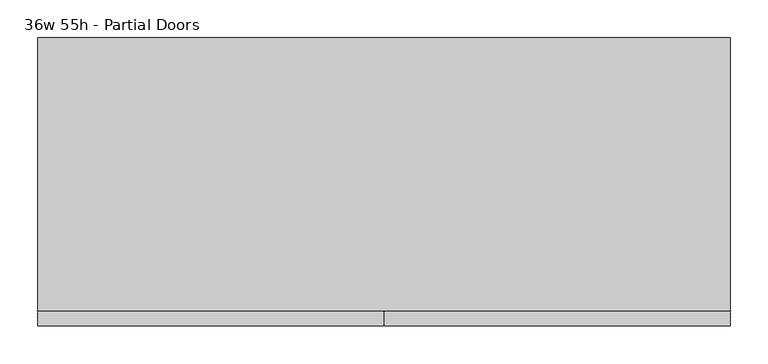
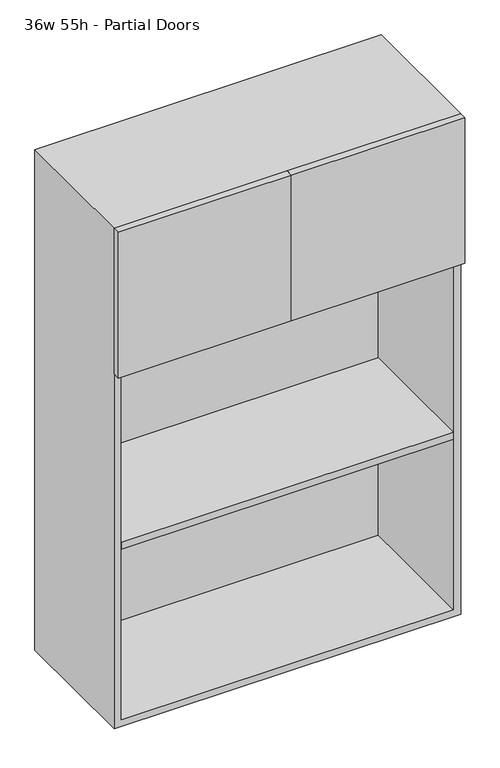
"""IFC4 building model written with IfcOpenShell, lengths in millimetres: furniture geometry, 36w 55h - Partial Doors."""

from ifc_helpers import new_model, si_unit, frame, origin, place, context, project, spatial, polyline, outline, extrude, source, transform, mapped, element, save


def furniture_36w_55h_partial_doors_f7c313d4(model_context):
    return source(origin(), model_context, "Body", "SweptSolid", [
        extrude(outline(polyline([(438.1569453, 161.925), (438.1569453, -180.975), (-438.1291641, -180.975), (-438.1291641, 161.925), (438.1569453, 161.925)])), frame((0.0, 0.0, 1727.2), z_axis=(0.0, 0.0, 1.0), x_axis=(1.0, 0.0, 0.0)), (0.0, 0.0, 1.0), 19.05),
        extrude(outline(polyline([(438.1569453, 161.925), (438.1569453, -180.975), (-438.1291641, -180.975), (-438.1291641, 161.925), (438.1569453, 161.925)])), frame((0.0, 0.0, 1231.9), z_axis=(0.0, 0.0, 1.0), x_axis=(1.0, 0.0, 0.0)), (0.0, 0.0, 1.0), 19.05),
        extrude(outline(polyline([(0.0138906, -200.025), (0.0138906, -180.975), (457.2138906, -180.975), (457.2138906, -200.025), (0.0138906, -200.025)])), frame((0.0, 0.0, 1727.2), z_axis=(0.0, 0.0, 1.0), x_axis=(1.0, 0.0, 0.0)), (0.0, 0.0, 1.0), 406.4),
        extrude(outline(polyline([(0.0138906, -200.025), (-457.1861094, -200.025), (-457.1861094, -180.975), (0.0138906, -180.975), (0.0138906, -200.025)])), frame((0.0, 0.0, 1727.2), z_axis=(0.0, 0.0, 1.0), x_axis=(1.0, 0.0, 0.0)), (0.0, 0.0, 1.0), 406.4),
        extrude(outline(polyline([(736.6, -457.1861094), (736.6, 457.2138906), (2133.6, 457.2138906), (2133.6, -457.1861094), (736.6, -457.1861094)]), holes=[polyline([(755.65, -438.1361094), (2114.55, -438.1361094), (2114.55, 438.1569453), (755.65, 438.1569453), (755.65, -438.1361094)])]), frame((0.0, -180.975, 0.0), z_axis=(0.0, 1.0, 0.0), x_axis=(0.0, 0.0, 1.0)), (0.0, 0.0, 1.0), 361.95),
        extrude(outline(polyline([(-438.1291641, 161.925), (-438.1291641, 180.975), (438.1569453, 180.975), (438.1569453, 161.925), (-438.1291641, 161.925)])), frame((0.0, 0.0, 755.65), z_axis=(0.0, 0.0, 1.0), x_axis=(1.0, 0.0, 0.0)), (0.0, 0.0, 1.0), 1358.9),
    ])


if __name__ == "__main__":
    model = new_model("IFC4")
    model_context = context("Model", 3, world=origin())
    ifc_project = project(units=[si_unit("LENGTHUNIT", "METRE", prefix="MILLI")], contexts=[model_context])
    site = spatial("IfcSite", under=ifc_project)
    building = spatial("IfcBuilding", under=site)
    placement = place(None, origin())
    furniture_36w_55h_partial_doors_shape = furniture_36w_55h_partial_doors_f7c313d4(model_context)
    element("IfcFurniture", 1, ObjectType="36w 55h - Partial Doors", at=placement, inside=building, context=model_context, shape_type="MappedRepresentation", body=[
        mapped(furniture_36w_55h_partial_doors_shape, transform((0.0, 0.0, 0.0), x_axis=(1.0, 0.0, 0.0), y_axis=(0.0, 1.0, 0.0), z_axis=(0.0, 0.0, 1.0))),
    ])
    save(model, "model.ifc")
